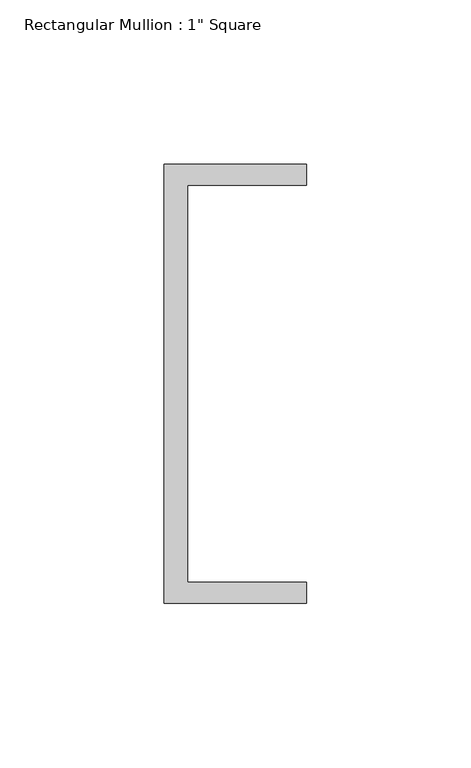
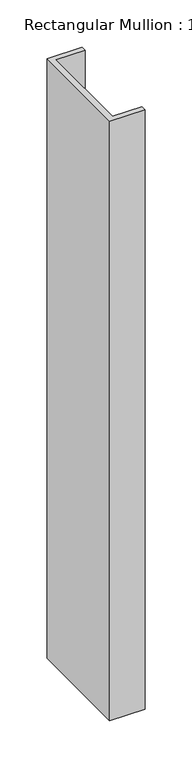
"""IFC4 building model written with IfcOpenShell, lengths in millimetres: member geometry."""

from ifc_helpers import new_model, si_unit, frame, origin, place, context, project, spatial, polyline, outline, extrude, source, transform, mapped, element, save


def member_989c353c(model_context):
    return source(origin(), model_context, "Body", "SweptSolid", [
        extrude(outline(polyline([(-18.6549463, 135.2608739), (24.5675083, 135.2608739), (24.5675083, 128.9108739), (-11.6110886, 128.9108739), (-11.6110886, 8.2608739), (24.5675083, 8.2608739), (24.5675083, 1.9108739), (-18.6549463, 1.9108739), (-18.6549463, 135.2608739)])), frame((0.0, 0.0, -776.7340276), z_axis=(0.0, 0.0, 1.0), x_axis=(1.0, 0.0, 0.0)), (0.0, 0.0, 1.0), 776.7340276),
    ])


if __name__ == "__main__":
    model = new_model("IFC4")
    model_context = context("Model", 3, world=origin())
    ifc_project = project(units=[si_unit("LENGTHUNIT", "METRE", prefix="MILLI")], contexts=[model_context])
    site = spatial("IfcSite", under=ifc_project)
    building = spatial("IfcBuilding", under=site)
    placement = place(None, origin())
    member_shape = member_989c353c(model_context)
    element("IfcMember", 1, ObjectType="Rectangular Mullion : 1\" Square", at=placement, inside=building, context=model_context, shape_type="MappedRepresentation", body=[
        mapped(member_shape, transform((0.0, 0.0, 0.0), x_axis=(1.0, 0.0, 0.0), y_axis=(0.0, 1.0, 0.0), z_axis=(0.0, 0.0, 1.0))),
    ])
    save(model, "model.ifc")
